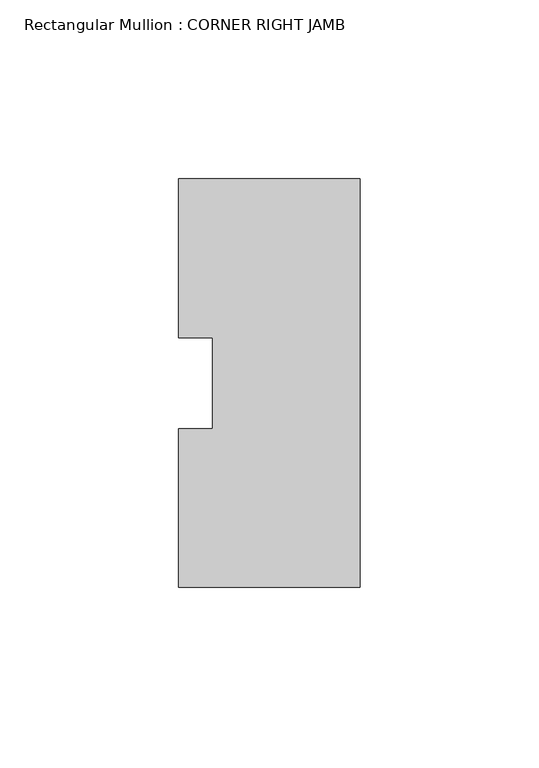
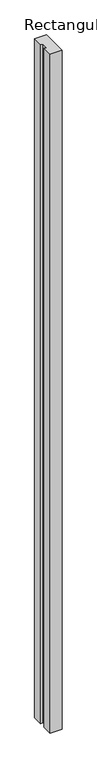
"""IFC4 building model written with IfcOpenShell, lengths in millimetres: member geometry, Rectangular Mullion : CORNER RIGHT JAMB."""

from ifc_helpers import new_model, si_unit, frame, origin, place, context, project, spatial, polyline, outline, extrude, source, transform, mapped, element, save


def rectangular_mullion_corner_right_jamb_ee023bcb(model_context):
    return source(origin(), model_context, "Body", "SweptSolid", [
        extrude(outline(polyline([(0.0, 44.64685), (0.0, -69.666231), (-50.8, -69.65315), (-50.8, -25.2581526), (-41.275, -25.2581526), (-41.275, 0.2295457), (-50.8, 0.2295457), (-50.8, 44.64685), (0.0, 44.64685)])), frame((0.0, 0.0, -3048.0), z_axis=(0.0, 0.0, 1.0), x_axis=(1.0, 0.0, 0.0)), (0.0, 0.0, 1.0), 3048.0),
    ])


if __name__ == "__main__":
    model = new_model("IFC4")
    model_context = context("Model", 3, world=origin())
    ifc_project = project(units=[si_unit("LENGTHUNIT", "METRE", prefix="MILLI")], contexts=[model_context])
    site = spatial("IfcSite", under=ifc_project)
    building = spatial("IfcBuilding", under=site)
    placement = place(None, origin())
    rectangular_mullion_corner_right_jamb_shape = rectangular_mullion_corner_right_jamb_ee023bcb(model_context)
    element("IfcMember", 1, ObjectType="Rectangular Mullion : CORNER RIGHT JAMB", at=placement, inside=building, context=model_context, shape_type="MappedRepresentation", body=[
        mapped(rectangular_mullion_corner_right_jamb_shape, transform((0.0, 0.0, 0.0), x_axis=(1.0, 0.0, 0.0), y_axis=(0.0, 1.0, 0.0), z_axis=(0.0, 0.0, 1.0))),
    ])
    save(model, "model.ifc")
